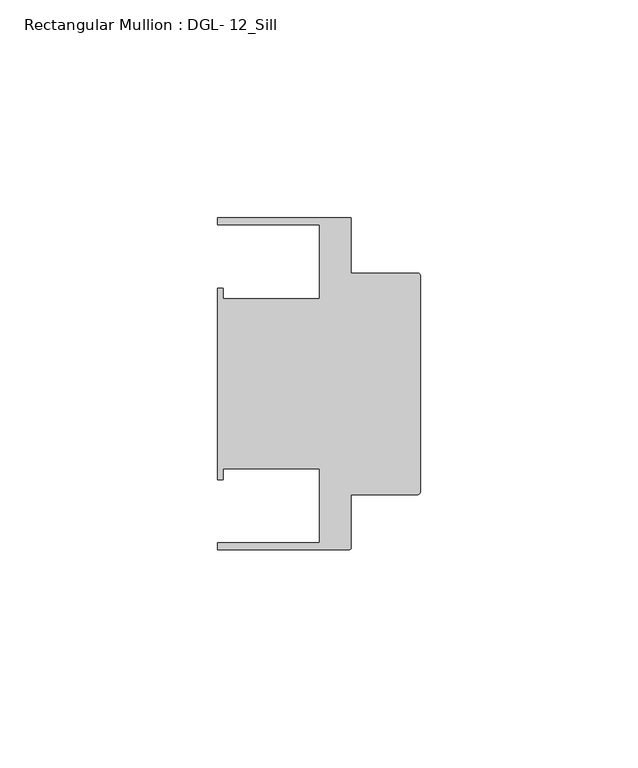
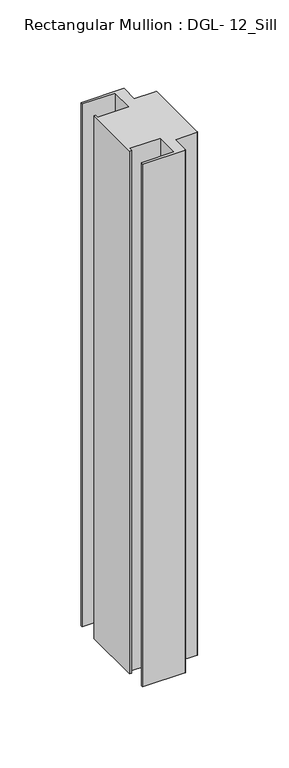
"""IFC4 building model written with IfcOpenShell, lengths in millimetres: member geometry, Rectangular Mullion : DGL- 12_Sill."""

from ifc_helpers import new_model, si_unit, point, frame, frame_2d, origin, place, context, project, spatial, polyline, circle_curve, trimmed, segment, composite_curve, outline, extrude, source, transform, mapped, element, save


def rectangular_mullion_dgl_12_sill_5dc7e7e4(model_context):
    return source(origin(), model_context, "Body", "SweptSolid", [
        extrude(outline(composite_curve([segment(trimmed(circle_curve(frame_2d((-0.5953125, 24.8046875)), 0.5953125), [point((-0.5953125, 25.4))], [point((0.0, 24.8046875))], False, "CARTESIAN"), True, "CONTINUOUS"), segment(polyline([(0.0, 24.8046875), (0.0, -24.8046875)]), True, "CONTINUOUS"), segment(trimmed(circle_curve(frame_2d((-0.5953125, -24.8046875)), 0.5953125), [point((0.0, -24.8046875))], [point((-0.5953125, -25.4))], False, "CARTESIAN"), True, "CONTINUOUS"), segment(polyline([(-0.5953125, -25.4), (-15.8750672, -25.4), (-15.8750672, -37.5047035)]), True, "CONTINUOUS"), segment(trimmed(circle_curve(frame_2d((-16.4703797, -37.5047035)), 0.5953125), [point((-15.8750672, -37.5047035))], [point((-16.4703797, -38.100016))], False, "CARTESIAN"), True, "CONTINUOUS"), segment(polyline([(-16.4703797, -38.100016), (-46.54296, -38.100016), (-46.54296, -36.512516), (-23.1202791, -36.512516), (-23.1202791, -19.4824275), (-45.2865266, -19.4824275), (-45.2865266, -21.9710976), (-46.54296, -21.9710976), (-46.54296, 21.9710976), (-45.2865266, 21.9710976), (-45.2865266, 19.4824275), (-23.1202791, 19.4824275), (-23.1202791, 36.512516), (-46.54296, 36.512516), (-46.54296, 38.0996792), (-15.8750672, 38.0996792), (-15.8750672, 25.4), (-0.5953125, 25.4)]), True, "CONTINUOUS")], self_intersect=False)), frame((0.0, 0.0, -393.7), z_axis=(0.0, 0.0, 1.0), x_axis=(1.0, 0.0, 0.0)), (0.0, 0.0, 1.0), 393.7),
    ])


if __name__ == "__main__":
    model = new_model("IFC4")
    model_context = context("Model", 3, world=origin())
    ifc_project = project(units=[si_unit("LENGTHUNIT", "METRE", prefix="MILLI")], contexts=[model_context])
    site = spatial("IfcSite", under=ifc_project)
    building = spatial("IfcBuilding", under=site)
    placement = place(None, origin())
    rectangular_mullion_dgl_12_sill_shape = rectangular_mullion_dgl_12_sill_5dc7e7e4(model_context)
    element("IfcMember", 1, ObjectType="Rectangular Mullion : DGL- 12_Sill", at=placement, inside=building, context=model_context, shape_type="MappedRepresentation", body=[
        mapped(rectangular_mullion_dgl_12_sill_shape, transform((0.0, 0.0, 0.0), x_axis=(1.0, 0.0, 0.0), y_axis=(0.0, 1.0, 0.0), z_axis=(0.0, 0.0, 1.0))),
    ])
    save(model, "model.ifc")
